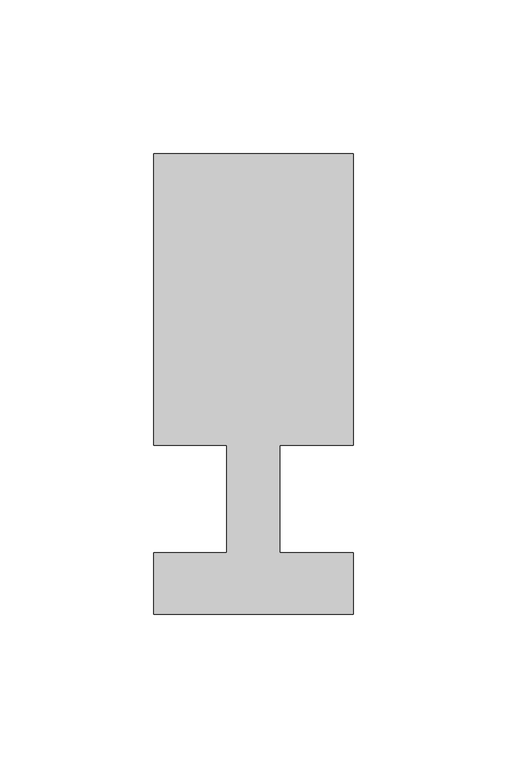
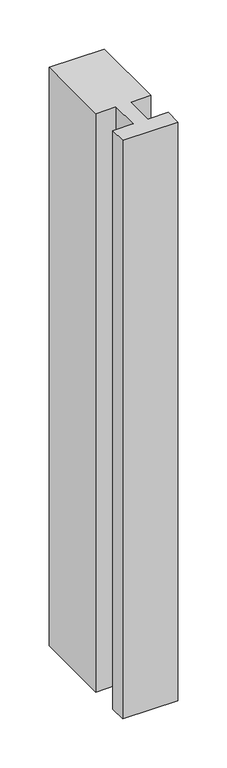
"""IFC4 building model written with IfcOpenShell, lengths in millimetres: member geometry."""

from ifc_helpers import new_model, si_unit, frame, origin, place, context, project, spatial, polyline, outline, extrude, source, transform, mapped, element, save


def member_65604919(model_context):
    return source(origin(), model_context, "Body", "SweptSolid", [
        extrude(outline(polyline([(0.0, -37.0), (-65.0, -37.0), (-65.0, -17.0), (-41.1875, -17.0), (-41.1875, 18.0), (-65.0, 18.0), (-65.0, 113.0), (0.0, 113.0), (0.0, 18.0), (-23.8125, 18.0), (-23.8125, -17.0), (0.0, -17.0), (0.0, -37.0)])), frame((0.0, 0.0, -720.0), z_axis=(0.0, 0.0, 1.0), x_axis=(1.0, 0.0, 0.0)), (0.0, 0.0, 1.0), 720.0),
    ])


if __name__ == "__main__":
    model = new_model("IFC4")
    model_context = context("Model", 3, world=origin())
    ifc_project = project(units=[si_unit("LENGTHUNIT", "METRE", prefix="MILLI")], contexts=[model_context])
    site = spatial("IfcSite", under=ifc_project)
    building = spatial("IfcBuilding", under=site)
    placement = place(None, origin())
    member_shape = member_65604919(model_context)
    element("IfcMember", 1, at=placement, inside=building, context=model_context, shape_type="MappedRepresentation", body=[
        mapped(member_shape, transform((0.0, 0.0, 0.0), x_axis=(1.0, 0.0, 0.0), y_axis=(0.0, 1.0, 0.0), z_axis=(0.0, 0.0, 1.0))),
    ])
    save(model, "model.ifc")
